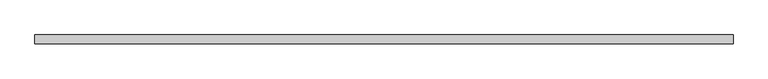
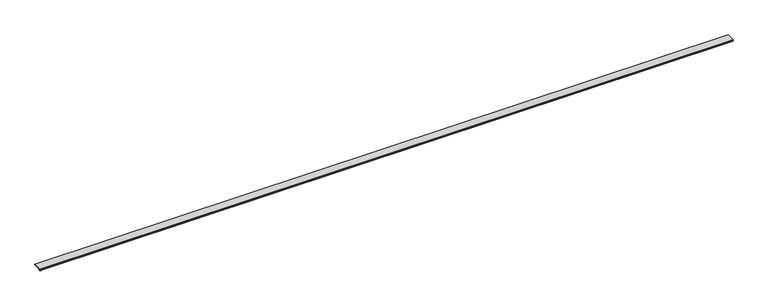
"""IFC4 building model written with IfcOpenShell, lengths in millimetres: proxy geometry."""

from ifc_helpers import new_model, si_unit, point, frame, frame_2d, origin, place, context, project, spatial, polyline, circle_curve, trimmed, segment, composite_curve, outline, extrude, source, transform, mapped, element, save


def generic_models_523e6a10(model_context):
    return source(origin(), model_context, "Body", "SweptSolid", [
        extrude(outline(composite_curve([segment(polyline([(44.45, 13.2537076), (44.45, 11.6837076), (2.2248214, 11.6837076)]), True, "CONTINUOUS"), segment(trimmed(circle_curve(frame_2d((2.2248214, 11.0887076)), 0.595), [point((2.2248214, 11.6837076))], [point((2.2248214, 10.4937076))], True, "CARTESIAN"), True, "CONTINUOUS"), segment(polyline([(2.2248214, 10.4937076), (3.6558496, 10.4937076), (4.9451168, 9.4970429), (6.3249897, 9.4327708)]), True, "CONTINUOUS"), segment(trimmed(circle_curve(frame_2d((6.2187315, 7.151486)), 2.2837581), [point((6.3249897, 9.4327708))], [point((6.2187315, 4.8677279))], False, "CARTESIAN"), True, "CONTINUOUS"), segment(polyline([(6.2187315, 4.8677279), (2.2864187, 4.8677279)]), True, "CONTINUOUS"), segment(trimmed(circle_curve(frame_2d((2.2864187, 5.5318063)), 0.6640784), [point((2.2864187, 4.8677279))], [point((2.2365622, 6.1940104))], False, "CARTESIAN"), True, "CONTINUOUS"), segment(polyline([(2.2365622, 6.1940104), (4.5052255, 6.3177279), (6.0737133, 6.3177279)]), True, "CONTINUOUS"), segment(trimmed(circle_curve(frame_2d((6.0737133, 7.2927279)), 0.975), [point((6.0737133, 6.3177279))], [point((6.0737133, 8.2677279))], True, "CARTESIAN"), True, "CONTINUOUS"), segment(polyline([(6.0737133, 8.2677279), (4.8744927, 8.2677279), (3.9294566, 8.3107178)]), True, "CONTINUOUS"), segment(trimmed(circle_curve(frame_2d((2.4844378, 6.6596487)), 2.1941076), [point((3.9294566, 8.3107178))], [point((1.090066, 8.3537076))], True, "CARTESIAN"), True, "CONTINUOUS"), segment(polyline([(1.090066, 8.3537076), (0.0792777, 8.3537076), (-0.0001544, 13.2537076), (44.45, 13.2537076)]), True, "CONTINUOUS")], self_intersect=False)), frame((0.0, 0.0, 0.0), z_axis=(1.0, 0.0, 0.0), x_axis=(0.0, 1.0, 0.0)), (0.0, 0.0, 1.0), 3505.2),
    ])


if __name__ == "__main__":
    model = new_model("IFC4")
    model_context = context("Model", 3, world=origin())
    ifc_project = project(units=[si_unit("LENGTHUNIT", "METRE", prefix="MILLI")], contexts=[model_context])
    site = spatial("IfcSite", under=ifc_project)
    building = spatial("IfcBuilding", under=site)
    placement = place(None, origin())
    generic_models_shape = generic_models_523e6a10(model_context)
    element("IfcBuildingElementProxy", 1, Name="Generic Models", at=placement, inside=building, context=model_context, shape_type="MappedRepresentation", body=[
        mapped(generic_models_shape, transform((0.0, 0.0, 0.0), x_axis=(1.0, 0.0, 0.0), y_axis=(0.0, 1.0, 0.0), z_axis=(0.0, 0.0, 1.0))),
    ])
    save(model, "model.ifc")
